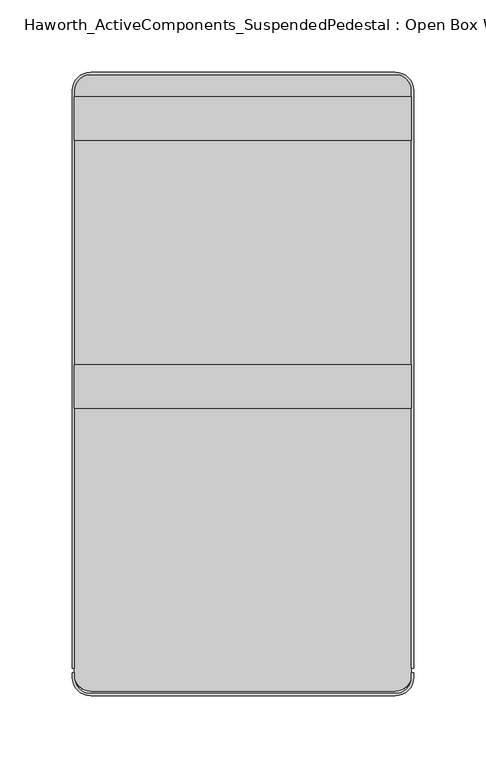
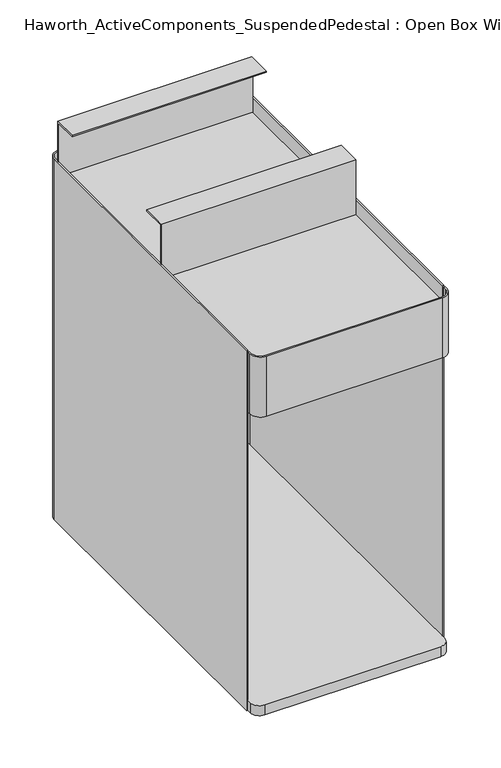
"""IFC4 building model written with IfcOpenShell, lengths in millimetres: furniture geometry, Haworth_ActiveComponents_SuspendedPedestal : Open Box With Storage."""

from ifc_helpers import new_model, si_unit, point, frame, frame_2d, origin, place, context, project, spatial, polyline, circle_curve, trimmed, segment, composite_curve, outline, extrude, source, transform, mapped, element, save


def haworth_activecomponents_suspendedpedestal_open_box_with_6033f123(model_context):
    return source(origin(), model_context, "Body", "SweptSolid", [
        extrude(outline(composite_curve([segment(trimmed(circle_curve(frame_2d((105.56875, -57.15)), 11.1125), [point((105.56875, -46.0375))], [point((116.68125, -57.15))], False, "CARTESIAN"), True, "CONTINUOUS"), segment(polyline([(116.68125, -57.15), (116.68125, -461.9625)]), True, "CONTINUOUS"), segment(trimmed(circle_curve(frame_2d((105.56875, -461.9625)), 11.1125), [point((116.68125, -461.9625))], [point((105.56875, -473.075))], False, "CARTESIAN"), True, "CONTINUOUS"), segment(polyline([(105.56875, -473.075), (-105.56875, -473.075)]), True, "CONTINUOUS"), segment(trimmed(circle_curve(frame_2d((-105.56875, -461.9625)), 11.1125), [point((-105.56875, -473.075))], [point((-116.68125, -461.9625))], False, "CARTESIAN"), True, "CONTINUOUS"), segment(polyline([(-116.68125, -461.9625), (-116.68125, -57.15)]), True, "CONTINUOUS"), segment(trimmed(circle_curve(frame_2d((-105.56875, -57.15)), 11.1125), [point((-116.68125, -57.15))], [point((-105.56875, -46.0375))], False, "CARTESIAN"), True, "CONTINUOUS"), segment(polyline([(-105.56875, -46.0375), (105.56875, -46.0375)]), True, "CONTINUOUS")], self_intersect=False)), frame((0.0, 0.0, 633.4124758), z_axis=(0.0, 0.0, 1.0), x_axis=(1.0, 0.0, 0.0)), (0.0, 0.0, 1.0), 1.5875),
        extrude(outline(composite_curve([segment(trimmed(circle_curve(frame_2d((105.56875, -57.15)), 11.1125), [point((105.56875, -46.0375))], [point((116.68125, -57.15))], False, "CARTESIAN"), True, "CONTINUOUS"), segment(polyline([(116.68125, -57.15), (116.68125, -461.9625)]), True, "CONTINUOUS"), segment(trimmed(circle_curve(frame_2d((105.56875, -461.9625)), 11.1125), [point((116.68125, -461.9625))], [point((105.56875, -473.075))], False, "CARTESIAN"), True, "CONTINUOUS"), segment(polyline([(105.56875, -473.075), (-105.56875, -473.075)]), True, "CONTINUOUS"), segment(trimmed(circle_curve(frame_2d((-105.56875, -461.9625)), 11.1125), [point((-105.56875, -473.075))], [point((-116.68125, -461.9625))], False, "CARTESIAN"), True, "CONTINUOUS"), segment(polyline([(-116.68125, -461.9625), (-116.68125, -57.15)]), True, "CONTINUOUS"), segment(trimmed(circle_curve(frame_2d((-105.56875, -57.15)), 11.1125), [point((-116.68125, -57.15))], [point((-105.56875, -46.0375))], False, "CARTESIAN"), True, "CONTINUOUS"), segment(polyline([(-105.56875, -46.0375), (105.56875, -46.0375)]), True, "CONTINUOUS")], self_intersect=False)), frame((0.0, 0.0, 577.85), z_axis=(0.0, 0.0, 1.0), x_axis=(1.0, 0.0, 0.0)), (0.0, 0.0, 1.0), 1.5875),
        extrude(outline(polyline([(-277.3171814, 634.9999758), (-277.3171814, 704.85), (-247.1546814, 704.85), (-247.1546814, 703.2625), (-275.7296814, 703.2625), (-275.7296814, 634.9999758), (-277.3171814, 634.9999758)])), frame((-116.68125, 0.0, 0.0), z_axis=(1.0, 0.0, 0.0), x_axis=(0.0, 1.0, 0.0)), (0.0, 0.0, 1.0), 233.3625),
        extrude(outline(polyline([(-61.4172056, 634.9999758), (-63.0047056, 634.9999758), (-63.0047056, 703.2625), (-91.5797056, 703.2625), (-91.5797056, 704.85), (-61.4172056, 704.85), (-61.4172056, 634.9999758)])), frame((-116.68125, 0.0, 0.0), z_axis=(1.0, 0.0, 0.0), x_axis=(0.0, 1.0, 0.0)), (0.0, 0.0, 1.0), 233.3625),
        extrude(outline(composite_curve([segment(polyline([(-118.26875, -463.55), (-118.26875, -460.375), (-116.68125, -460.375), (-116.68125, -463.55)]), True, "CONTINUOUS"), segment(trimmed(circle_curve(frame_2d((-105.56875, -463.55)), 11.1125), [point((-116.68125, -463.55))], [point((-105.56875, -474.6625))], True, "CARTESIAN"), True, "CONTINUOUS"), segment(polyline([(-105.56875, -474.6625), (105.56875, -474.6625)]), True, "CONTINUOUS"), segment(trimmed(circle_curve(frame_2d((105.56875, -463.55)), 11.1125), [point((105.56875, -474.6625))], [point((116.68125, -463.55))], True, "CARTESIAN"), True, "CONTINUOUS"), segment(polyline([(116.68125, -463.55), (116.68125, -460.375), (118.26875, -460.375), (118.26875, -463.55)]), True, "CONTINUOUS"), segment(trimmed(circle_curve(frame_2d((105.56875, -463.55)), 12.7), [point((118.26875, -463.55))], [point((105.56875, -476.25))], False, "CARTESIAN"), True, "CONTINUOUS"), segment(polyline([(105.56875, -476.25), (-105.56875, -476.25)]), True, "CONTINUOUS"), segment(trimmed(circle_curve(frame_2d((-105.56875, -463.55)), 12.7), [point((-105.56875, -476.25))], [point((-118.26875, -463.55))], False, "CARTESIAN"), True, "CONTINUOUS")], self_intersect=False)), frame((0.0, 0.0, 577.85), z_axis=(0.0, 0.0, 1.0), x_axis=(1.0, 0.0, 0.0)), (0.0, 0.0, 1.0), 76.2),
        extrude(outline(composite_curve([segment(trimmed(circle_curve(frame_2d((105.56875, -57.15)), 11.1125), [point((105.56875, -46.0375))], [point((116.68125, -57.15))], False, "CARTESIAN"), True, "CONTINUOUS"), segment(polyline([(116.68125, -57.15), (116.68125, -461.9625)]), True, "CONTINUOUS"), segment(trimmed(circle_curve(frame_2d((105.56875, -461.9625)), 11.1125), [point((116.68125, -461.9625))], [point((105.56875, -473.075))], False, "CARTESIAN"), True, "CONTINUOUS"), segment(polyline([(105.56875, -473.075), (-105.56875, -473.075)]), True, "CONTINUOUS"), segment(trimmed(circle_curve(frame_2d((-105.56875, -461.9625)), 11.1125), [point((-105.56875, -473.075))], [point((-116.68125, -461.9625))], False, "CARTESIAN"), True, "CONTINUOUS"), segment(polyline([(-116.68125, -461.9625), (-116.68125, -57.15)]), True, "CONTINUOUS"), segment(trimmed(circle_curve(frame_2d((-105.56875, -57.15)), 11.1125), [point((-116.68125, -57.15))], [point((-105.56875, -46.0375))], False, "CARTESIAN"), True, "CONTINUOUS"), segment(polyline([(-105.56875, -46.0375), (105.56875, -46.0375)]), True, "CONTINUOUS")], self_intersect=False)), frame((0.0, 0.0, 196.85), z_axis=(0.0, 0.0, 1.0), x_axis=(1.0, 0.0, 0.0)), (0.0, 0.0, 1.0), 12.7),
        extrude(outline(composite_curve([segment(trimmed(circle_curve(frame_2d((-105.56875, -57.15)), 12.7), [point((-118.26875, -57.15))], [point((-105.56875, -44.45))], False, "CARTESIAN"), True, "CONTINUOUS"), segment(polyline([(-105.56875, -44.45), (105.56875, -44.45)]), True, "CONTINUOUS"), segment(trimmed(circle_curve(frame_2d((105.56875, -57.15)), 12.7), [point((105.56875, -44.45))], [point((118.26875, -57.15))], False, "CARTESIAN"), True, "CONTINUOUS"), segment(polyline([(118.26875, -57.15), (118.26875, -457.2), (116.68125, -457.2), (116.68125, -57.15)]), True, "CONTINUOUS"), segment(trimmed(circle_curve(frame_2d((105.56875, -57.15)), 11.1125), [point((116.68125, -57.15))], [point((105.56875, -46.0375))], True, "CARTESIAN"), True, "CONTINUOUS"), segment(polyline([(105.56875, -46.0375), (-105.56875, -46.0375)]), True, "CONTINUOUS"), segment(trimmed(circle_curve(frame_2d((-105.56875, -57.15)), 11.1125), [point((-105.56875, -46.0375))], [point((-116.68125, -57.15))], True, "CARTESIAN"), True, "CONTINUOUS"), segment(polyline([(-116.68125, -57.15), (-116.68125, -457.2), (-118.26875, -457.2), (-118.26875, -57.15)]), True, "CONTINUOUS")], self_intersect=False)), frame((0.0, 0.0, 196.85), z_axis=(0.0, 0.0, 1.0), x_axis=(1.0, 0.0, 0.0)), (0.0, 0.0, 1.0), 457.2),
    ])


if __name__ == "__main__":
    model = new_model("IFC4")
    model_context = context("Model", 3, world=origin())
    ifc_project = project(units=[si_unit("LENGTHUNIT", "METRE", prefix="MILLI")], contexts=[model_context])
    site = spatial("IfcSite", under=ifc_project)
    building = spatial("IfcBuilding", under=site)
    placement = place(None, origin())
    haworth_activecomponents_suspendedpedestal_open_box_with_shape = haworth_activecomponents_suspendedpedestal_open_box_with_6033f123(model_context)
    element("IfcFurniture", 1, ObjectType="Haworth_ActiveComponents_SuspendedPedestal : Open Box With Storage", at=placement, inside=building, context=model_context, shape_type="MappedRepresentation", body=[
        mapped(haworth_activecomponents_suspendedpedestal_open_box_with_shape, transform((0.0, 0.0, 0.0), x_axis=(1.0, 0.0, 0.0), y_axis=(0.0, 1.0, 0.0), z_axis=(0.0, 0.0, 1.0))),
    ])
    save(model, "model.ifc")
